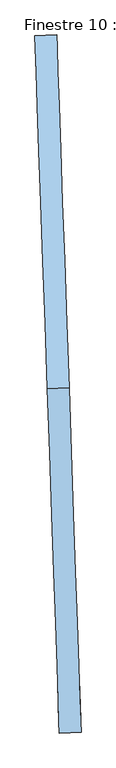
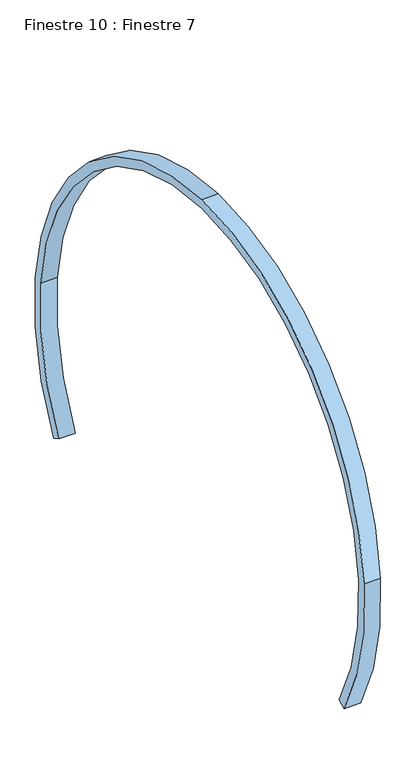
"""IFC4 building model written with IfcOpenShell, lengths in millimetres: window geometry, Finestre 10 : Finestre 7."""

from ifc_helpers import new_model, si_unit, point, frame, frame_2d, origin, place, context, project, spatial, polyline, circle_curve, trimmed, segment, composite_curve, outline, extrude, source, transform, mapped, element, save


def finestre_10_finestre_7_7c5c5789(model_context):
    return source(origin(), model_context, "Body", "SweptSolid", [
        extrude(outline(composite_curve([segment(trimmed(circle_curve(frame_2d((0.0, -1470.772351)), 1470.7723511), [point((1470.7723511, -1470.7723511))], [point((124.1233253, -2936.2977548))], False, "CARTESIAN"), True, "CONTINUOUS"), segment(trimmed(circle_curve(frame_2d((0.0, -1470.772351)), 1470.7723511), [point((124.1233253, -2936.2977548))], [point((-705.4530311, -2761.3177124))], False, "CARTESIAN"), True, "CONTINUOUS"), segment(polyline([(-705.4530311, -2761.3177124), (-681.4706305, -2717.444663)]), True, "CONTINUOUS"), segment(trimmed(circle_curve(frame_2d((0.0, -1470.772351)), 1420.7723511), [point((-681.4706305, -2717.444663))], [point((119.9036606, -2886.4761287))], True, "CARTESIAN"), True, "CONTINUOUS"), segment(trimmed(circle_curve(frame_2d((0.0, -1470.772351)), 1420.7723511), [point((119.9036606, -2886.4761287))], [point((1420.7723511, -1470.7723511))], True, "CARTESIAN"), True, "CONTINUOUS"), segment(trimmed(circle_curve(frame_2d((0.0, -1470.772351)), 1420.7723511), [point((1420.7723511, -1470.7723511))], [point((129.5075723, -55.9148097))], True, "CARTESIAN"), True, "CONTINUOUS"), segment(trimmed(circle_curve(frame_2d((0.0, -1470.772351)), 1420.7723511), [point((129.5075723, -55.9148097))], [point((-668.4794786, -217.0860823))], True, "CARTESIAN"), True, "CONTINUOUS"), segment(polyline([(-668.4794786, -217.0860823), (-692.0046927, -172.9661969)]), True, "CONTINUOUS"), segment(trimmed(circle_curve(frame_2d((0.0, -1470.772351)), 1470.7723511), [point((-692.0046927, -172.9661969))], [point((134.0652191, -6.1229645))], False, "CARTESIAN"), True, "CONTINUOUS"), segment(trimmed(circle_curve(frame_2d((0.0, -1470.772351)), 1470.7723511), [point((134.0652191, -6.1229645))], [point((1470.7723511, -1470.7723511))], False, "CARTESIAN"), True, "CONTINUOUS")], self_intersect=False)), frame((59496.996347, 113839.9893388, 2289.7732504), z_axis=(0.999385863142339, 0.035041354871668505, 0.0), x_axis=(0.0004585361219096978, -0.013077534235046666, 0.9999143802561078)), (0.0, 0.0, 1.0), 91.2517605),
    ])


if __name__ == "__main__":
    model = new_model("IFC4")
    model_context = context("Model", 3, world=origin())
    ifc_project = project(units=[si_unit("LENGTHUNIT", "METRE", prefix="MILLI")], contexts=[model_context])
    site = spatial("IfcSite", under=ifc_project)
    building = spatial("IfcBuilding", under=site)
    placement = place(None, origin())
    finestre_10_finestre_7_shape = finestre_10_finestre_7_7c5c5789(model_context)
    element("IfcWindow", 1, ObjectType="Finestre 10 : Finestre 7", at=placement, inside=building, context=model_context, shape_type="MappedRepresentation", body=[
        mapped(finestre_10_finestre_7_shape, transform((0.0, 0.0, 0.0), x_axis=(1.0, 0.0, 0.0), y_axis=(0.0, 1.0, 0.0), z_axis=(0.0, 0.0, 1.0))),
    ])
    save(model, "model.ifc")
